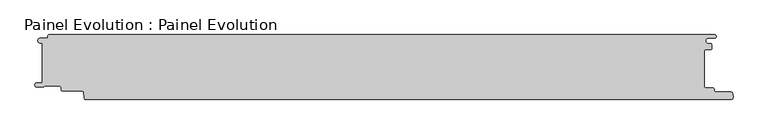
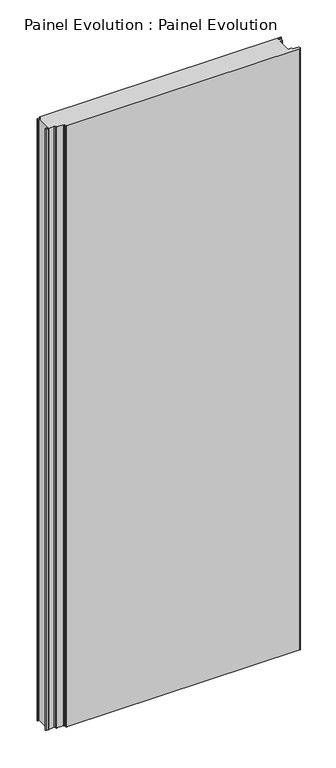
"""IFC4 building model written with IfcOpenShell, lengths in millimetres: proxy geometry, Painel Evolution : Painel Evolution."""

from ifc_helpers import new_model, si_unit, point, frame_2d, origin, origin_with_axes, place, context, project, spatial, polyline, circle_curve, trimmed, segment, composite_curve, outline, extrude, source, transform, mapped, element, save


def painel_evolution_painel_evolution_afa01a26(model_context):
    return source(origin(), model_context, "Body", "SweptSolid", [
        extrude(outline(composite_curve([segment(trimmed(circle_curve(frame_2d((506.313274, 34.7225035)), 1.5999999), [point((506.5911111, 36.2981958))], [point((507.912729, 34.7642596))], False, "CARTESIAN"), True, "CONTINUOUS"), segment(polyline([(507.912729, 34.7642596), (507.912729, 28.1436506)]), True, "CONTINUOUS"), segment(trimmed(circle_curve(frame_2d((506.8673147, 28.1436506)), 1.0454142), [point((507.912729, 28.1436506))], [point((506.8673147, 27.0982364))], False, "CARTESIAN"), True, "CONTINUOUS"), segment(polyline([(506.8673147, 27.0982364), (498.9512072, 27.0982364)]), True, "CONTINUOUS"), segment(trimmed(circle_curve(frame_2d((498.9512072, 24.7482365)), 2.3499999), [point((498.9512072, 27.0982364))], [point((496.6012073, 24.7482365))], True, "CARTESIAN"), True, "CONTINUOUS"), segment(polyline([(496.6012073, 24.7482365), (496.6012073, -29.6548179)]), True, "CONTINUOUS"), segment(trimmed(circle_curve(frame_2d((498.9512072, -29.6548179)), 2.3499999), [point((496.6012073, -29.6548179))], [point((498.9512072, -32.0048179))], True, "CARTESIAN"), True, "CONTINUOUS"), segment(polyline([(498.9512072, -32.0048179), (509.620698, -32.0048179)]), True, "CONTINUOUS"), segment(trimmed(circle_curve(frame_2d((509.620698, -34.4048179)), 2.4), [point((509.620698, -32.0048179))], [point((512.020698, -34.4048179))], False, "CARTESIAN"), True, "CONTINUOUS"), segment(polyline([(512.020698, -34.4048179), (512.020698, -36.4048176)]), True, "CONTINUOUS"), segment(trimmed(circle_curve(frame_2d((513.620698, -36.4048176)), 1.6), [point((512.020698, -36.4048176))], [point((513.620698, -38.0048176))], True, "CARTESIAN"), True, "CONTINUOUS"), segment(polyline([(513.620698, -38.0048176), (537.0114544, -38.0048176)]), True, "CONTINUOUS"), segment(trimmed(circle_curve(frame_2d((537.0114544, -41.7048175)), 3.6999999), [point((537.0114544, -38.0048176))], [point((540.6606899, -41.0940152))], False, "CARTESIAN"), True, "CONTINUOUS"), segment(polyline([(540.6606899, -41.0940152), (541.1021208, -46.1370337)]), True, "CONTINUOUS"), segment(trimmed(circle_curve(frame_2d((537.5514013, -46.4373369)), 3.563396), [point((541.1021208, -46.1370337))], [point((537.6236695, -50.0))], False, "CARTESIAN"), True, "CONTINUOUS"), segment(polyline([(537.6236695, -50.0), (-454.4023864, -50.0)]), True, "CONTINUOUS"), segment(trimmed(circle_curve(frame_2d((-454.3507103, -47.1106339)), 2.8898282), [point((-454.4023864, -50.0))], [point((-457.2295384, -47.3625382))], False, "CARTESIAN"), True, "CONTINUOUS"), segment(polyline([(-457.2295384, -47.3625382), (-457.9760411, -38.8313116)]), True, "CONTINUOUS"), segment(trimmed(circle_curve(frame_2d((-459.9959051, -39.0080546)), 2.027582), [point((-457.9760411, -38.8313116))], [point((-458.3872648, -37.7738078))], True, "CARTESIAN"), True, "CONTINUOUS"), segment(trimmed(circle_curve(frame_2d((-459.9740222, -38.9912647)), 2.0), [point((-458.3872648, -37.7738078))], [point((-459.9818684, -36.99128))], True, "CARTESIAN"), True, "CONTINUOUS"), segment(polyline([(-459.9818684, -36.99128), (-489.9687938, -36.99128)]), True, "CONTINUOUS"), segment(trimmed(circle_curve(frame_2d((-489.9687938, -34.19128)), 2.8), [point((-489.9687938, -36.99128))], [point((-492.7687939, -34.19128))], False, "CARTESIAN"), True, "CONTINUOUS"), segment(polyline([(-492.7687939, -34.19128), (-492.7687939, -31.9007195)]), True, "CONTINUOUS"), segment(trimmed(circle_curve(frame_2d((-495.7687939, -31.9007195)), 3.0), [point((-492.7687939, -31.9007195))], [point((-495.7687939, -28.9007195))], True, "CARTESIAN"), True, "CONTINUOUS"), segment(polyline([(-495.7687939, -28.9007195), (-517.8062687, -28.9007195)]), True, "CONTINUOUS"), segment(trimmed(circle_curve(frame_2d((-517.8062687, -30.5007195)), 1.6), [point((-517.8062687, -28.9007195))], [point((-519.0123453, -29.4493494))], True, "CARTESIAN"), True, "CONTINUOUS"), segment(trimmed(circle_curve(frame_2d((-521.7593331, -27.7294942)), 3.2409634), [point((-519.0123453, -29.4493494))], [point((-520.2140128, -30.5783236))], False, "CARTESIAN"), True, "CONTINUOUS"), segment(trimmed(circle_curve(frame_2d((-521.3266399, -28.4518098)), 2.4), [point((-520.2140128, -30.5783236))], [point((-521.4215824, -30.8499312))], False, "CARTESIAN"), True, "CONTINUOUS"), segment(polyline([(-521.4215824, -30.8499312), (-529.7667193, -30.8499312)]), True, "CONTINUOUS"), segment(trimmed(circle_curve(frame_2d((-529.7667193, -27.5812398)), 3.2686913), [point((-529.7667193, -30.8499312))], [point((-529.9577702, -24.3181366))], False, "CARTESIAN"), True, "CONTINUOUS"), segment(polyline([(-529.9577702, -24.3181366), (-522.1155186, -24.3181366), (-522.1155186, 37.4922678), (-525.6488863, 37.4922678)]), True, "CONTINUOUS"), segment(trimmed(circle_curve(frame_2d((-524.8390625, 41.0)), 3.6), [point((-525.6488863, 37.4922678))], [point((-524.8390625, 44.6))], False, "CARTESIAN"), True, "CONTINUOUS"), segment(polyline([(-524.8390625, 44.6), (-515.0390625, 44.6)]), True, "CONTINUOUS"), segment(trimmed(circle_curve(frame_2d((-515.0390625, 46.6)), 2.0), [point((-515.0390625, 44.6))], [point((-513.0390625, 46.6))], True, "CARTESIAN"), True, "CONTINUOUS"), segment(polyline([(-513.0390625, 46.6), (-513.0390625, 48.0)]), True, "CONTINUOUS"), segment(trimmed(circle_curve(frame_2d((-511.0390625, 48.0)), 2.0), [point((-513.0390625, 48.0))], [point((-511.0390625, 50.0))], False, "CARTESIAN"), True, "CONTINUOUS"), segment(polyline([(-511.0390625, 50.0), (512.4609375, 50.0)]), True, "CONTINUOUS"), segment(trimmed(circle_curve(frame_2d((512.4609375, 47.5)), 2.5), [point((512.4609375, 50.0))], [point((512.4609375, 45.0))], False, "CARTESIAN"), True, "CONTINUOUS"), segment(polyline([(512.4609375, 45.0), (503.1893843, 45.0)]), True, "CONTINUOUS"), segment(trimmed(circle_curve(frame_2d((503.1893843, 40.6490979)), 4.3509021), [point((503.1893843, 45.0))], [point((503.1893843, 36.2981958))], True, "CARTESIAN"), True, "CONTINUOUS"), segment(polyline([(503.1893843, 36.2981958), (506.5911111, 36.2981958)]), True, "CONTINUOUS")], self_intersect=False)), origin_with_axes(), (0.0, 0.0, 1.0), 2700.0),
    ])


if __name__ == "__main__":
    model = new_model("IFC4")
    model_context = context("Model", 3, world=origin())
    ifc_project = project(units=[si_unit("LENGTHUNIT", "METRE", prefix="MILLI")], contexts=[model_context])
    site = spatial("IfcSite", under=ifc_project)
    building = spatial("IfcBuilding", under=site)
    placement = place(None, origin())
    painel_evolution_painel_evolution_shape = painel_evolution_painel_evolution_afa01a26(model_context)
    element("IfcBuildingElementProxy", 1, Name="Painel Evolution : Painel Evolution", ObjectType="Painel Evolution : Painel Evolution", at=placement, inside=building, context=model_context, shape_type="MappedRepresentation", body=[
        mapped(painel_evolution_painel_evolution_shape, transform((0.0, 0.0, 0.0), x_axis=(1.0, 0.0, 0.0), y_axis=(0.0, 1.0, 0.0), z_axis=(0.0, 0.0, 1.0))),
    ])
    save(model, "model.ifc")
